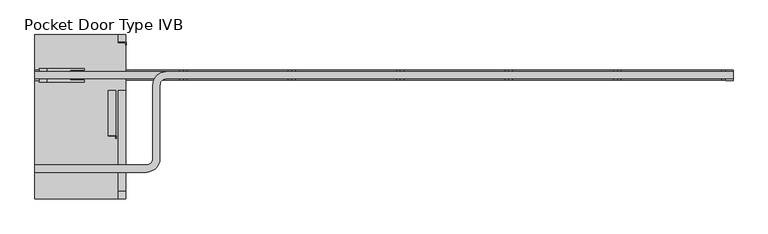
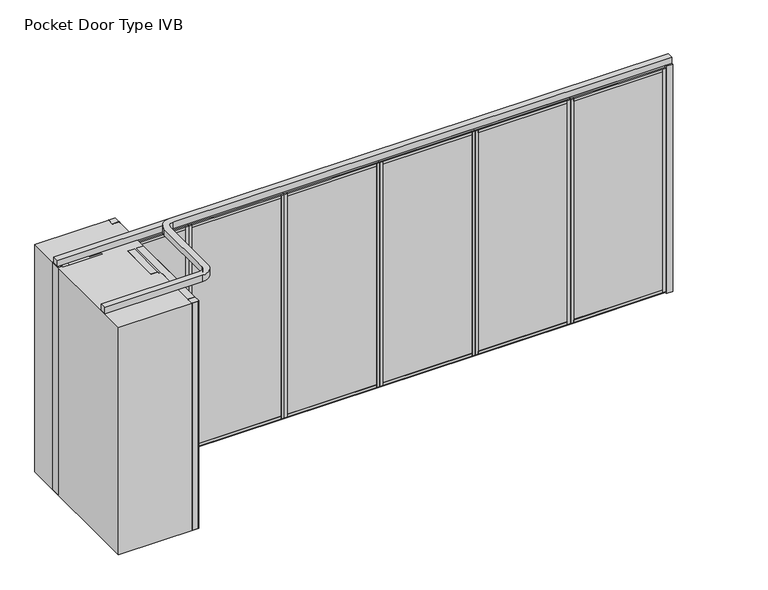
"""IFC4 building model written with IfcOpenShell, lengths in millimetres: proxy geometry, Pocket Door Type IVB."""

from ifc_helpers import new_model, si_unit, point, frame, frame_2d, origin, origin_with_axes, place, context, project, spatial, polyline, circle_curve, trimmed, segment, composite_curve, outline, extrude, source, transform, mapped, element, save


def pocket_door_type_ivb_7488c028(model_context):
    return source(origin(), model_context, "Body", "SweptSolid", [
        extrude(outline(polyline([(3307.761883, 34.13125), (4396.2577164, 34.13125), (4396.2577164, -34.13125), (3307.761883, -34.13125), (3307.761883, 34.13125)])), origin_with_axes(), (0.0, 0.0, 1.0), 22.225),
        extrude(outline(polyline([(3307.761883, 34.13125), (4396.2577164, 34.13125), (4396.2577164, -34.13125), (3307.761883, -34.13125), (3307.761883, 34.13125)])), frame((0.0, 0.0, 2720.975), z_axis=(0.0, 0.0, 1.0), x_axis=(1.0, 0.0, 0.0)), (0.0, 0.0, 1.0), 22.225),
        extrude(outline(polyline([(3342.940883, -50.8), (3308.015883, -50.8), (3308.015883, 50.8), (3342.940883, 50.8), (3342.940883, -50.8)])), frame((0.0, 0.0, 22.225), z_axis=(0.0, 0.0, 1.0), x_axis=(1.0, 0.0, 0.0)), (0.0, 0.0, 1.0), 2698.75),
        extrude(outline(polyline([(4361.0787164, -50.8), (4361.0787164, 50.8), (4396.0037164, 50.8), (4396.0037164, -50.8), (4361.0787164, -50.8)])), frame((0.0, 0.0, 22.225), z_axis=(0.0, 0.0, 1.0), x_axis=(1.0, 0.0, 0.0)), (0.0, 0.0, 1.0), 2698.75),
        extrude(outline(polyline([(0.0, 9.525), (1063.0958334, 9.525), (1063.0958334, 0.0), (0.0, 0.0), (0.0, 9.525)])), frame((4383.5577164, -36.5125, 52.3875), z_axis=(0.0, 1.4530598946293796e-12, 1.0), x_axis=(-1.0, 0.0, 0.0)), (0.0, 0.0, 1.0), 2638.425),
        extrude(outline(polyline([(0.0, 7.9375), (1063.0958334, 7.9375), (1063.0958334, 0.0), (0.0, 0.0), (0.0, 7.9375)])), frame((4383.5577164, 44.45, 52.3875), z_axis=(0.0, -1.775646296664526e-12, 1.0), x_axis=(-1.0, 0.0, 0.0)), (0.0, 0.0, 1.0), 2638.425),
        extrude(outline(polyline([(36.5125, 2605.0875), (-36.5125, 2605.0875), (-36.5125, 2690.8125), (-50.8, 2690.8125), (-50.8, 2720.975), (50.8, 2720.975), (50.8, 2690.8125), (36.5125, 2690.8125), (36.5125, 2605.0875)])), frame((3342.940883, 0.0, 0.0), z_axis=(1.0, 0.0, 0.0), x_axis=(0.0, 1.0, 0.0)), (0.0, 0.0, 1.0), 1018.1378333),
        extrude(outline(polyline([(50.8, 22.225), (-50.8, 22.225), (-50.8, 52.3875), (-36.5125, 52.3875), (-36.5125, 138.1125), (36.5125, 138.1125), (36.5125, 52.3875), (50.8, 52.3875), (50.8, 22.225)])), frame((3342.940883, 0.0, 0.0), z_axis=(1.0, 0.0, 0.0), x_axis=(0.0, 1.0, 0.0)), (0.0, 0.0, 1.0), 1018.1378333),
        extrude(outline(polyline([(2219.2660497, 34.13125), (3307.761883, 34.13125), (3307.761883, -34.13125), (2219.2660497, -34.13125), (2219.2660497, 34.13125)])), origin_with_axes(), (0.0, 0.0, 1.0), 22.225),
        extrude(outline(polyline([(2219.2660497, 34.13125), (3307.761883, 34.13125), (3307.761883, -34.13125), (2219.2660497, -34.13125), (2219.2660497, 34.13125)])), frame((0.0, 0.0, 2720.975), z_axis=(0.0, 0.0, 1.0), x_axis=(1.0, 0.0, 0.0)), (0.0, 0.0, 1.0), 22.225),
        extrude(outline(polyline([(2254.4450497, -50.8), (2219.5200497, -50.8), (2219.5200497, 50.8), (2254.4450497, 50.8), (2254.4450497, -50.8)])), frame((0.0, 0.0, 22.225), z_axis=(0.0, 0.0, 1.0), x_axis=(1.0, 0.0, 0.0)), (0.0, 0.0, 1.0), 2698.75),
        extrude(outline(polyline([(3272.582883, -50.8), (3272.582883, 50.8), (3307.507883, 50.8), (3307.507883, -50.8), (3272.582883, -50.8)])), frame((0.0, 0.0, 22.225), z_axis=(0.0, 0.0, 1.0), x_axis=(1.0, 0.0, 0.0)), (0.0, 0.0, 1.0), 2698.75),
        extrude(outline(polyline([(0.0, 9.525), (1063.0958333, 9.525), (1063.0958333, 0.0), (0.0, 0.0), (0.0, 9.525)])), frame((3295.061883, -36.5125, 52.3875), z_axis=(0.0, 1.4530598946293796e-12, 1.0), x_axis=(-1.0, 0.0, 0.0)), (0.0, 0.0, 1.0), 2638.425),
        extrude(outline(polyline([(0.0, 7.9375), (1063.0958333, 7.9375), (1063.0958333, 0.0), (0.0, 0.0), (0.0, 7.9375)])), frame((3295.061883, 44.45, 52.3875), z_axis=(0.0, -1.775646296664526e-12, 1.0), x_axis=(-1.0, 0.0, 0.0)), (0.0, 0.0, 1.0), 2638.425),
        extrude(outline(polyline([(36.5125, 2605.0875), (-36.5125, 2605.0875), (-36.5125, 2690.8125), (-50.8, 2690.8125), (-50.8, 2720.975), (50.8, 2720.975), (50.8, 2690.8125), (36.5125, 2690.8125), (36.5125, 2605.0875)])), frame((2254.4450497, 0.0, 0.0), z_axis=(1.0, 0.0, 0.0), x_axis=(0.0, 1.0, 0.0)), (0.0, 0.0, 1.0), 1018.1378333),
        extrude(outline(polyline([(50.8, 22.225), (-50.8, 22.225), (-50.8, 52.3875), (-36.5125, 52.3875), (-36.5125, 138.1125), (36.5125, 138.1125), (36.5125, 52.3875), (50.8, 52.3875), (50.8, 22.225)])), frame((2254.4450497, 0.0, 0.0), z_axis=(1.0, 0.0, 0.0), x_axis=(0.0, 1.0, 0.0)), (0.0, 0.0, 1.0), 1018.1378333),
        extrude(outline(polyline([(1130.7702164, 34.13125), (2219.2660497, 34.13125), (2219.2660497, -34.13125), (1130.7702164, -34.13125), (1130.7702164, 34.13125)])), origin_with_axes(), (0.0, 0.0, 1.0), 22.225),
        extrude(outline(polyline([(1130.7702164, 34.13125), (2219.2660497, 34.13125), (2219.2660497, -34.13125), (1130.7702164, -34.13125), (1130.7702164, 34.13125)])), frame((0.0, 0.0, 2720.975), z_axis=(0.0, 0.0, 1.0), x_axis=(1.0, 0.0, 0.0)), (0.0, 0.0, 1.0), 22.225),
        extrude(outline(polyline([(1165.9492164, -50.8), (1131.0242164, -50.8), (1131.0242164, 50.8), (1165.9492164, 50.8), (1165.9492164, -50.8)])), frame((0.0, 0.0, 22.225), z_axis=(0.0, 0.0, 1.0), x_axis=(1.0, 0.0, 0.0)), (0.0, 0.0, 1.0), 2698.75),
        extrude(outline(polyline([(2184.0870497, -50.8), (2184.0870497, 50.8), (2219.0120497, 50.8), (2219.0120497, -50.8), (2184.0870497, -50.8)])), frame((0.0, 0.0, 22.225), z_axis=(0.0, 0.0, 1.0), x_axis=(1.0, 0.0, 0.0)), (0.0, 0.0, 1.0), 2698.75),
        extrude(outline(polyline([(0.0, 9.525), (1063.0958333, 9.525), (1063.0958333, 0.0), (0.0, 0.0), (0.0, 9.525)])), frame((2206.5660497, -36.5125, 52.3875), z_axis=(0.0, 1.4530598946293796e-12, 1.0), x_axis=(-1.0, 0.0, 0.0)), (0.0, 0.0, 1.0), 2638.425),
        extrude(outline(polyline([(0.0, 7.9375), (1063.0958333, 7.9375), (1063.0958333, 0.0), (0.0, 0.0), (0.0, 7.9375)])), frame((2206.5660497, 44.45, 52.3875), z_axis=(0.0, -1.775646296664526e-12, 1.0), x_axis=(-1.0, 0.0, 0.0)), (0.0, 0.0, 1.0), 2638.425),
        extrude(outline(polyline([(36.5125, 2605.0875), (-36.5125, 2605.0875), (-36.5125, 2690.8125), (-50.8, 2690.8125), (-50.8, 2720.975), (50.8, 2720.975), (50.8, 2690.8125), (36.5125, 2690.8125), (36.5125, 2605.0875)])), frame((1165.9492164, 0.0, 0.0), z_axis=(1.0, 0.0, 0.0), x_axis=(0.0, 1.0, 0.0)), (0.0, 0.0, 1.0), 1018.1378333),
        extrude(outline(polyline([(50.8, 22.225), (-50.8, 22.225), (-50.8, 52.3875), (-36.5125, 52.3875), (-36.5125, 138.1125), (36.5125, 138.1125), (36.5125, 52.3875), (50.8, 52.3875), (50.8, 22.225)])), frame((1165.9492164, 0.0, 0.0), z_axis=(1.0, 0.0, 0.0), x_axis=(0.0, 1.0, 0.0)), (0.0, 0.0, 1.0), 1018.1378333),
        extrude(outline(polyline([(4396.2577164, 34.13125), (5484.7535497, 34.13125), (5484.7535497, -34.13125), (4396.2577164, -34.13125), (4396.2577164, 34.13125)])), origin_with_axes(), (0.0, 0.0, 1.0), 22.225),
        extrude(outline(polyline([(4396.2577164, 34.13125), (5484.7535497, 34.13125), (5484.7535497, -34.13125), (4396.2577164, -34.13125), (4396.2577164, 34.13125)])), frame((0.0, 0.0, 2720.975), z_axis=(0.0, 0.0, 1.0), x_axis=(1.0, 0.0, 0.0)), (0.0, 0.0, 1.0), 22.225),
        extrude(outline(polyline([(4431.4367164, -50.8), (4396.5117164, -50.8), (4396.5117164, 50.8), (4431.4367164, 50.8), (4431.4367164, -50.8)])), frame((0.0, 0.0, 22.225), z_axis=(0.0, 0.0, 1.0), x_axis=(1.0, 0.0, 0.0)), (0.0, 0.0, 1.0), 2698.75),
        extrude(outline(polyline([(5449.5745497, -50.8), (5449.5745497, 50.8), (5484.4995497, 50.8), (5484.4995497, -50.8), (5449.5745497, -50.8)])), frame((0.0, 0.0, 22.225), z_axis=(0.0, 0.0, 1.0), x_axis=(1.0, 0.0, 0.0)), (0.0, 0.0, 1.0), 2698.75),
        extrude(outline(polyline([(0.0, 9.525), (1063.0958333, 9.525), (1063.0958333, 0.0), (0.0, 0.0), (0.0, 9.525)])), frame((5472.0535497, -36.5125, 52.3875), z_axis=(0.0, 1.4530598946293796e-12, 1.0), x_axis=(-1.0, 0.0, 0.0)), (0.0, 0.0, 1.0), 2638.425),
        extrude(outline(polyline([(0.0, 7.9375), (1063.0958333, 7.9375), (1063.0958333, 0.0), (0.0, 0.0), (0.0, 7.9375)])), frame((5472.0535497, 44.45, 52.3875), z_axis=(0.0, -1.775646296664526e-12, 1.0), x_axis=(-1.0, 0.0, 0.0)), (0.0, 0.0, 1.0), 2638.425),
        extrude(outline(polyline([(36.5125, 2605.0875), (-36.5125, 2605.0875), (-36.5125, 2690.8125), (-50.8, 2690.8125), (-50.8, 2720.975), (50.8, 2720.975), (50.8, 2690.8125), (36.5125, 2690.8125), (36.5125, 2605.0875)])), frame((4431.4367164, 0.0, 0.0), z_axis=(1.0, 0.0, 0.0), x_axis=(0.0, 1.0, 0.0)), (0.0, 0.0, 1.0), 1018.1378333),
        extrude(outline(polyline([(50.8, 22.225), (-50.8, 22.225), (-50.8, 52.3875), (-36.5125, 52.3875), (-36.5125, 138.1125), (36.5125, 138.1125), (36.5125, 52.3875), (50.8, 52.3875), (50.8, 22.225)])), frame((4431.4367164, 0.0, 0.0), z_axis=(1.0, 0.0, 0.0), x_axis=(0.0, 1.0, 0.0)), (0.0, 0.0, 1.0), 1018.1378333),
        extrude(outline(polyline([(-636.6464503, -612.775), (-712.8464503, -612.775), (-712.8464503, -609.6), (-633.4714503, -609.6), (-633.4714503, -635.0), (-636.6464503, -635.0), (-636.6464503, -612.775)])), origin_with_axes(), (0.0, 0.0, 1.0), 2743.2),
        extrude(outline(composite_curve([segment(polyline([(-712.8464503, -607.2667931), (-712.8464503, -154.7332069)]), True, "CONTINUOUS"), segment(trimmed(circle_curve(frame_2d((-710.5132434, -154.7332069)), 2.3332069), [point((-712.8464503, -154.7332069))], [point((-710.5132434, -152.4))], False, "CARTESIAN"), True, "CONTINUOUS"), segment(polyline([(-710.5132434, -152.4), (-638.9796571, -152.4)]), True, "CONTINUOUS"), segment(trimmed(circle_curve(frame_2d((-638.9796571, -154.7332069)), 2.3332069), [point((-638.9796571, -152.4))], [point((-636.6464503, -154.7332069))], False, "CARTESIAN"), True, "CONTINUOUS"), segment(polyline([(-636.6464503, -154.7332069), (-636.6464503, -607.2667931)]), True, "CONTINUOUS"), segment(trimmed(circle_curve(frame_2d((-638.9796571, -607.2667931)), 2.3332069), [point((-636.6464503, -607.2667931))], [point((-638.9796571, -609.6))], False, "CARTESIAN"), True, "CONTINUOUS"), segment(polyline([(-638.9796571, -609.6), (-710.5132434, -609.6)]), True, "CONTINUOUS"), segment(trimmed(circle_curve(frame_2d((-710.5132434, -607.2667931)), 2.3332069), [point((-710.5132434, -609.6))], [point((-712.8464503, -607.2667931))], False, "CARTESIAN"), True, "CONTINUOUS")], self_intersect=False)), origin_with_axes(), (0.0, 0.0, 1.0), 2743.2),
        extrude(outline(polyline([(-535.0464503, 327.025), (-611.2464503, 327.025), (-611.2464503, 330.2), (-531.8714503, 330.2), (-531.8714503, 304.8), (-535.0464503, 304.8), (-535.0464503, 327.025)])), origin_with_axes(), (0.0, 0.0, 1.0), 2743.2),
        extrude(outline(composite_curve([segment(polyline([(-535.0464503, 404.0667931), (-535.0464503, 332.5332069)]), True, "CONTINUOUS"), segment(trimmed(circle_curve(frame_2d((-537.3796571, 332.5332069)), 2.3332069), [point((-535.0464503, 332.5332069))], [point((-537.3796571, 330.2))], False, "CARTESIAN"), True, "CONTINUOUS"), segment(polyline([(-537.3796571, 330.2), (-608.9132434, 330.2)]), True, "CONTINUOUS"), segment(trimmed(circle_curve(frame_2d((-608.9132434, 332.5332069)), 2.3332069), [point((-608.9132434, 330.2))], [point((-611.2464503, 332.5332069))], False, "CARTESIAN"), True, "CONTINUOUS"), segment(polyline([(-611.2464503, 332.5332069), (-611.2464503, 404.0667931)]), True, "CONTINUOUS"), segment(trimmed(circle_curve(frame_2d((-608.9132434, 404.0667931)), 2.3332069), [point((-611.2464503, 404.0667931))], [point((-608.9132434, 406.4))], False, "CARTESIAN"), True, "CONTINUOUS"), segment(polyline([(-608.9132434, 406.4), (-537.3796571, 406.4)]), True, "CONTINUOUS"), segment(trimmed(circle_curve(frame_2d((-537.3796571, 404.0667931)), 2.3332069), [point((-537.3796571, 406.4))], [point((-535.0464503, 404.0667931))], False, "CARTESIAN"), True, "CONTINUOUS")], self_intersect=False)), origin_with_axes(), (0.0, 0.0, 1.0), 2743.2),
        extrude(outline(composite_curve([segment(polyline([(-535.0464503, -1170.7332069), (-535.0464503, -1242.2667931)]), True, "CONTINUOUS"), segment(trimmed(circle_curve(frame_2d((-537.3796571, -1242.2667931)), 2.3332069), [point((-535.0464503, -1242.2667931))], [point((-537.3796571, -1244.6))], False, "CARTESIAN"), True, "CONTINUOUS"), segment(polyline([(-537.3796571, -1244.6), (-608.9132434, -1244.6)]), True, "CONTINUOUS"), segment(trimmed(circle_curve(frame_2d((-608.9132434, -1242.2667931)), 2.3332069), [point((-608.9132434, -1244.6))], [point((-611.2464503, -1242.2667931))], False, "CARTESIAN"), True, "CONTINUOUS"), segment(polyline([(-611.2464503, -1242.2667931), (-611.2464503, -1170.7332069)]), True, "CONTINUOUS"), segment(trimmed(circle_curve(frame_2d((-608.9132434, -1170.7332069)), 2.3332069), [point((-611.2464503, -1170.7332069))], [point((-608.9132434, -1168.4))], False, "CARTESIAN"), True, "CONTINUOUS"), segment(polyline([(-608.9132434, -1168.4), (-537.3796571, -1168.4)]), True, "CONTINUOUS"), segment(trimmed(circle_curve(frame_2d((-537.3796571, -1170.7332069)), 2.3332069), [point((-537.3796571, -1168.4))], [point((-535.0464503, -1170.7332069))], False, "CARTESIAN"), True, "CONTINUOUS")], self_intersect=False)), origin_with_axes(), (0.0, 0.0, 1.0), 2743.2),
        extrude(outline(composite_curve([segment(polyline([(-535.0464503, -154.7332069), (-535.0464503, -1166.0667931)]), True, "CONTINUOUS"), segment(trimmed(circle_curve(frame_2d((-537.3796571, -1166.0667931)), 2.3332069), [point((-535.0464503, -1166.0667931))], [point((-537.3796571, -1168.4))], False, "CARTESIAN"), True, "CONTINUOUS"), segment(polyline([(-537.3796571, -1168.4), (-608.9132434, -1168.4)]), True, "CONTINUOUS"), segment(trimmed(circle_curve(frame_2d((-608.9132434, -1166.0667931)), 2.3332069), [point((-608.9132434, -1168.4))], [point((-611.2464503, -1166.0667931))], False, "CARTESIAN"), True, "CONTINUOUS"), segment(polyline([(-611.2464503, -1166.0667931), (-611.2464503, -154.7332069)]), True, "CONTINUOUS"), segment(trimmed(circle_curve(frame_2d((-608.9132434, -154.7332069)), 2.3332069), [point((-611.2464503, -154.7332069))], [point((-608.9132434, -152.4))], False, "CARTESIAN"), True, "CONTINUOUS"), segment(polyline([(-608.9132434, -152.4), (-537.3796571, -152.4)]), True, "CONTINUOUS"), segment(trimmed(circle_curve(frame_2d((-537.3796571, -154.7332069)), 2.3332069), [point((-537.3796571, -152.4))], [point((-535.0464503, -154.7332069))], False, "CARTESIAN"), True, "CONTINUOUS")], self_intersect=False)), origin_with_axes(), (0.0, 0.0, 1.0), 2743.2),
        extrude(outline(polyline([(-44.846875, 914.4), (-44.846875, 952.5), (-50.8, 952.5), (-50.8, 1143.0), (-44.846875, 1143.0), (-44.846875, 1181.1), (0.0, 1181.1), (46.2359375, 1181.1), (46.2359375, 1143.0), (50.8, 1143.0), (50.8, 952.5), (46.2359375, 952.5), (46.2359375, 914.4), (0.0, 914.4), (-44.846875, 914.4)])), frame((-1058.6674503, 0.0, 0.0), z_axis=(1.0, 0.0, 0.0), x_axis=(0.0, 1.0, 0.0)), (0.0, 0.0, 1.0), 1065.7628333),
        extrude(outline(polyline([(42.274383, -34.13125), (-1093.8464503, -34.13125), (-1093.8464503, 34.13125), (42.274383, 34.13125), (42.274383, -34.13125)])), origin_with_axes(), (0.0, 0.0, 1.0), 22.225),
        extrude(outline(polyline([(42.274383, -34.13125), (-1093.8464503, -34.13125), (-1093.8464503, 34.13125), (42.274383, 34.13125), (42.274383, -34.13125)])), frame((0.0, 0.0, 2720.975), z_axis=(0.0, 0.0, 1.0), x_axis=(1.0, 0.0, 0.0)), (0.0, 0.0, 1.0), 22.225),
        extrude(outline(polyline([(7.095383, 50.8), (42.020383, 50.8), (42.020383, -50.8), (7.095383, -50.8), (7.095383, 50.8)])), frame((0.0, 0.0, 22.225), z_axis=(0.0, 0.0, 1.0), x_axis=(1.0, 0.0, 0.0)), (0.0, 0.0, 1.0), 2698.75),
        extrude(outline(polyline([(-1058.6674503, 50.8), (-1058.6674503, -50.8), (-1093.5924503, -50.8), (-1093.5924503, 50.8), (-1058.6674503, 50.8)])), frame((0.0, 0.0, 22.225), z_axis=(0.0, 0.0, 1.0), x_axis=(1.0, 0.0, 0.0)), (0.0, 0.0, 1.0), 2698.75),
        extrude(outline(polyline([(0.0, 9.525), (1110.7208333, 9.525), (1110.7208333, 0.0), (0.0, 0.0), (0.0, 9.525)])), frame((-1081.1464503, 36.5125, 52.3875), z_axis=(0.0, -1.4530598946293796e-12, 1.0), x_axis=(1.0, 0.0, 0.0)), (0.0, 0.0, 1.0), 2638.425),
        extrude(outline(polyline([(0.0, 7.9375), (1110.7208333, 7.9375), (1110.7208333, 0.0), (0.0, 0.0), (0.0, 7.9375)])), frame((-1081.1464503, -44.45, 52.3875), z_axis=(0.0, 1.775646296664526e-12, 1.0), x_axis=(1.0, 0.0, 0.0)), (0.0, 0.0, 1.0), 2638.425),
        extrude(outline(polyline([(-36.5125, 2605.0875), (-36.5125, 2690.8125), (-50.8, 2690.8125), (-50.8, 2720.975), (50.8, 2720.975), (50.8, 2690.8125), (36.5125, 2690.8125), (36.5125, 2605.0875), (-36.5125, 2605.0875)])), frame((-1058.6674503, 0.0, 0.0), z_axis=(1.0, 0.0, 0.0), x_axis=(0.0, 1.0, 0.0)), (0.0, 0.0, 1.0), 1065.7628333),
        extrude(outline(polyline([(-50.8, 22.225), (-50.8, 52.3875), (-36.5125, 52.3875), (-36.5125, 138.1125), (36.5125, 138.1125), (36.5125, 52.3875), (50.8, 52.3875), (50.8, 22.225), (-50.8, 22.225)])), frame((-1058.6674503, 0.0, 0.0), z_axis=(1.0, 0.0, 0.0), x_axis=(0.0, 1.0, 0.0)), (0.0, 0.0, 1.0), 1065.7628333),
        extrude(outline(polyline([(-1404.9964503, -53.975), (-1449.4464503, -53.975), (-1449.4464503, 53.975), (-1404.9964503, 53.975), (-1404.9964503, -53.975)])), origin_with_axes(), (0.0, 0.0, 1.0), 2743.2),
        extrude(outline(polyline([(-1331.9714503, -68.2625), (-1404.9964503, -68.2625), (-1404.9964503, 68.2625), (-1331.9714503, 68.2625), (-1331.9714503, -68.2625)])), origin_with_axes(), (0.0, 0.0, 1.0), 2743.2),
        extrude(outline(polyline([(-954.1464503, -68.2625), (-1331.9714503, -68.2625), (-1331.9714503, 68.2625), (-954.1464503, 68.2625), (-954.1464503, 50.8), (-1093.8464503, 50.8), (-1093.8464503, -50.8), (-954.1464503, -50.8), (-954.1464503, -68.2625)])), origin_with_axes(), (0.0, 0.0, 1.0), 2743.2),
        extrude(outline(polyline([(5560.9535497, -53.975), (5484.7535497, -53.975), (5484.7535497, 53.975), (5560.9535497, 53.975), (5560.9535497, -53.975)])), origin_with_axes(), (0.0, 0.0, 1.0), 2743.2),
        extrude(outline(polyline([(42.274383, 34.13125), (1130.7702164, 34.13125), (1130.7702164, -34.13125), (42.274383, -34.13125), (42.274383, 34.13125)])), origin_with_axes(), (0.0, 0.0, 1.0), 22.225),
        extrude(outline(polyline([(42.274383, 34.13125), (1130.7702164, 34.13125), (1130.7702164, -34.13125), (42.274383, -34.13125), (42.274383, 34.13125)])), frame((0.0, 0.0, 2720.975), z_axis=(0.0, 0.0, 1.0), x_axis=(1.0, 0.0, 0.0)), (0.0, 0.0, 1.0), 22.225),
        extrude(outline(polyline([(77.453383, -50.8), (42.528383, -50.8), (42.528383, 50.8), (77.453383, 50.8), (77.453383, -50.8)])), frame((0.0, 0.0, 22.225), z_axis=(0.0, 0.0, 1.0), x_axis=(1.0, 0.0, 0.0)), (0.0, 0.0, 1.0), 2698.75),
        extrude(outline(polyline([(1095.5912164, -50.8), (1095.5912164, 50.8), (1130.5162164, 50.8), (1130.5162164, -50.8), (1095.5912164, -50.8)])), frame((0.0, 0.0, 22.225), z_axis=(0.0, 0.0, 1.0), x_axis=(1.0, 0.0, 0.0)), (0.0, 0.0, 1.0), 2698.75),
        extrude(outline(polyline([(0.0, 9.525), (1063.0958334, 9.525), (1063.0958334, 0.0), (0.0, 0.0), (0.0, 9.525)])), frame((1118.0702164, -36.5125, 52.3875), z_axis=(0.0, 1.4530598946293796e-12, 1.0), x_axis=(-1.0, 0.0, 0.0)), (0.0, 0.0, 1.0), 2638.425),
        extrude(outline(polyline([(0.0, 7.9375), (1063.0958334, 7.9375), (1063.0958334, 0.0), (0.0, 0.0), (0.0, 7.9375)])), frame((1118.0702164, 44.45, 52.3875), z_axis=(0.0, -1.775646296664526e-12, 1.0), x_axis=(-1.0, 0.0, 0.0)), (0.0, 0.0, 1.0), 2638.425),
        extrude(outline(polyline([(36.5125, 2605.0875), (-36.5125, 2605.0875), (-36.5125, 2690.8125), (-50.8, 2690.8125), (-50.8, 2720.975), (50.8, 2720.975), (50.8, 2690.8125), (36.5125, 2690.8125), (36.5125, 2605.0875)])), frame((77.453383, 0.0, 0.0), z_axis=(1.0, 0.0, 0.0), x_axis=(0.0, 1.0, 0.0)), (0.0, 0.0, 1.0), 1018.1378333),
        extrude(outline(polyline([(50.8, 22.225), (-50.8, 22.225), (-50.8, 52.3875), (-36.5125, 52.3875), (-36.5125, 138.1125), (36.5125, 138.1125), (36.5125, 52.3875), (50.8, 52.3875), (50.8, 22.225)])), frame((77.453383, 0.0, 0.0), z_axis=(1.0, 0.0, 0.0), x_axis=(0.0, 1.0, 0.0)), (0.0, 0.0, 1.0), 1018.1378333),
        extrude(outline(composite_curve([segment(polyline([(5560.9535497, -35.71875), (-128.6464503, -35.71875)]), True, "CONTINUOUS"), segment(trimmed(circle_curve(frame_2d((-128.6464503, -101.6)), 65.88125), [point((-128.6464503, -35.71875))], [point((-194.5277003, -101.6))], True, "CARTESIAN"), True, "CONTINUOUS"), segment(polyline([(-194.5277003, -101.6), (-194.5277003, -838.2)]), True, "CONTINUOUS"), segment(trimmed(circle_curve(frame_2d((-331.8464503, -838.2)), 137.31875), [point((-194.5277003, -838.2))], [point((-331.8464503, -975.51875))], False, "CARTESIAN"), True, "CONTINUOUS"), segment(polyline([(-331.8464503, -975.51875), (-1449.4464503, -975.51875), (-1449.4464503, -904.08125), (-331.8464503, -904.08125)]), True, "CONTINUOUS"), segment(trimmed(circle_curve(frame_2d((-331.8464503, -838.2)), 65.88125), [point((-331.8464503, -904.08125))], [point((-265.9652003, -838.2))], True, "CARTESIAN"), True, "CONTINUOUS"), segment(polyline([(-265.9652003, -838.2), (-265.9652003, -101.6)]), True, "CONTINUOUS"), segment(trimmed(circle_curve(frame_2d((-128.6464503, -101.6)), 137.31875), [point((-265.9652003, -101.6))], [point((-128.6464503, 35.71875))], False, "CARTESIAN"), True, "CONTINUOUS"), segment(polyline([(-128.6464503, 35.71875), (5560.9535497, 35.71875), (5560.9535497, -35.71875)]), True, "CONTINUOUS")], self_intersect=False)), frame((0.0, 0.0, 2743.2), z_axis=(0.0, 0.0, 1.0), x_axis=(1.0, 0.0, 0.0)), (0.0, 0.0, 1.0), 74.6125),
        extrude(outline(polyline([(42.274383, -35.71875), (-1449.4464503, -35.71875), (-1449.4464503, 35.71875), (42.274383, 35.71875), (42.274383, -35.71875)])), frame((0.0, 0.0, 2743.2), z_axis=(0.0, 0.0, 1.0), x_axis=(1.0, 0.0, 0.0)), (0.0, 0.0, 1.0), 74.6125),
        extrude(outline(polyline([(-535.0464503, 406.4), (-535.0464503, -1244.6), (-1449.4464503, -1244.6), (-1449.4464503, 406.4), (-535.0464503, 406.4)])), origin_with_axes(), (0.0, 0.0, 1.0), 2743.2),
    ])


if __name__ == "__main__":
    model = new_model("IFC4")
    model_context = context("Model", 3, world=origin())
    ifc_project = project(units=[si_unit("LENGTHUNIT", "METRE", prefix="MILLI")], contexts=[model_context])
    site = spatial("IfcSite", under=ifc_project)
    building = spatial("IfcBuilding", under=site)
    placement = place(None, origin())
    pocket_door_type_ivb_shape = pocket_door_type_ivb_7488c028(model_context)
    element("IfcBuildingElementProxy", 1, Name="Pocket Door Type IVB", ObjectType="Pocket Door Type IVB", at=placement, inside=building, context=model_context, shape_type="MappedRepresentation", body=[
        mapped(pocket_door_type_ivb_shape, transform((0.0, 0.0, 0.0), x_axis=(1.0, 0.0, 0.0), y_axis=(0.0, 1.0, 0.0), z_axis=(0.0, 0.0, 1.0))),
    ])
    save(model, "model.ifc")
